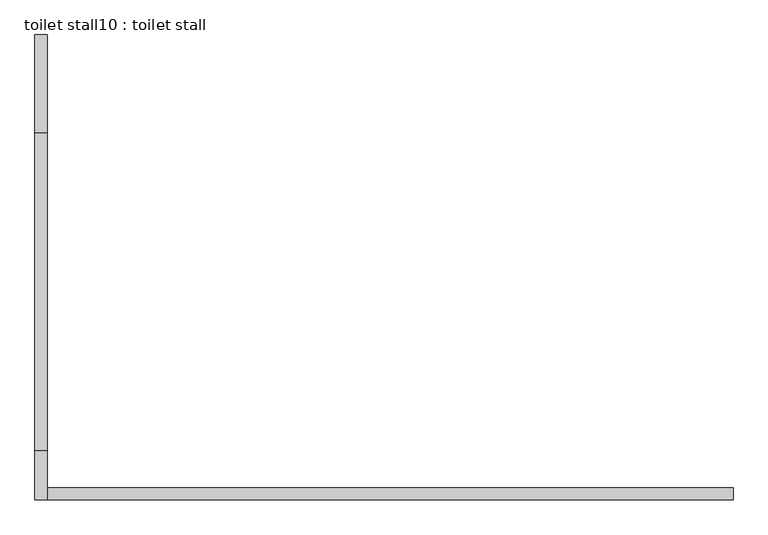
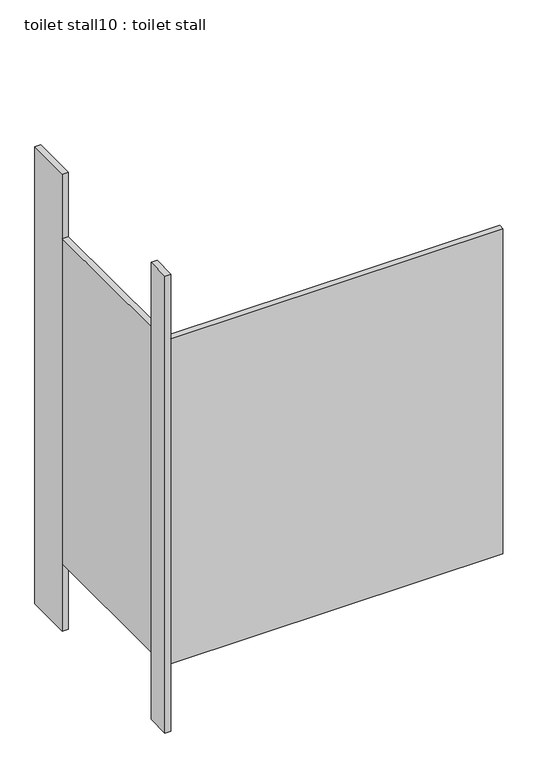
"""IFC4 building model written with IfcOpenShell, lengths in millimetres: proxy geometry, toilet stall10 : toilet stall."""

from ifc_helpers import new_model, si_unit, frame, origin, origin_with_axes, place, context, project, spatial, polyline, outline, extrude, source, transform, mapped, element, save


def toilet_stall10_toilet_stall_b0c1e6d1(model_context):
    return source(origin(), model_context, "Body", "SweptSolid", [
        extrude(outline(polyline([(454658.2004676, -272284.0113632), (454632.8004676, -272284.0113632), (454632.8004676, -272080.8113632), (454658.2004676, -272080.8113632), (454658.2004676, -272284.0113632)])), origin_with_axes(), (0.0, 0.0, 1.0), 2070.1),
        extrude(outline(polyline([(454658.2004676, -273046.0113632), (454632.8004676, -273046.0113632), (454632.8004676, -272944.4113632), (454658.2004676, -272944.4113632), (454658.2004676, -273046.0113632)])), origin_with_axes(), (0.0, 0.0, 1.0), 2070.1),
        extrude(outline(polyline([(454658.2004676, -273046.0113632), (454658.2004676, -273020.6113632), (456080.6004676, -273020.6113632), (456080.6004676, -273046.0113632), (454658.2004676, -273046.0113632)])), frame((0.0, 0.0, 304.8), z_axis=(0.0, 0.0, 1.0), x_axis=(1.0, 0.0, 0.0)), (0.0, 0.0, 1.0), 1473.2),
        extrude(outline(polyline([(454658.2004676, -272944.4113632), (454632.8004676, -272944.4113632), (454632.8004676, -272284.0113632), (454658.2004676, -272284.0113632), (454658.2004676, -272944.4113632)])), frame((0.0, 0.0, 304.8), z_axis=(0.0, 0.0, 1.0), x_axis=(1.0, 0.0, 0.0)), (0.0, 0.0, 1.0), 1473.2),
    ])


if __name__ == "__main__":
    model = new_model("IFC4")
    model_context = context("Model", 3, world=origin())
    ifc_project = project(units=[si_unit("LENGTHUNIT", "METRE", prefix="MILLI")], contexts=[model_context])
    site = spatial("IfcSite", under=ifc_project)
    building = spatial("IfcBuilding", under=site)
    placement = place(None, origin())
    toilet_stall10_toilet_stall_shape = toilet_stall10_toilet_stall_b0c1e6d1(model_context)
    element("IfcBuildingElementProxy", 1, Name="toilet stall10 : toilet stall", ObjectType="toilet stall10 : toilet stall", at=placement, inside=building, context=model_context, shape_type="MappedRepresentation", body=[
        mapped(toilet_stall10_toilet_stall_shape, transform((0.0, 0.0, 0.0), x_axis=(1.0, 0.0, 0.0), y_axis=(0.0, 1.0, 0.0), z_axis=(0.0, 0.0, 1.0))),
    ])
    save(model, "model.ifc")
